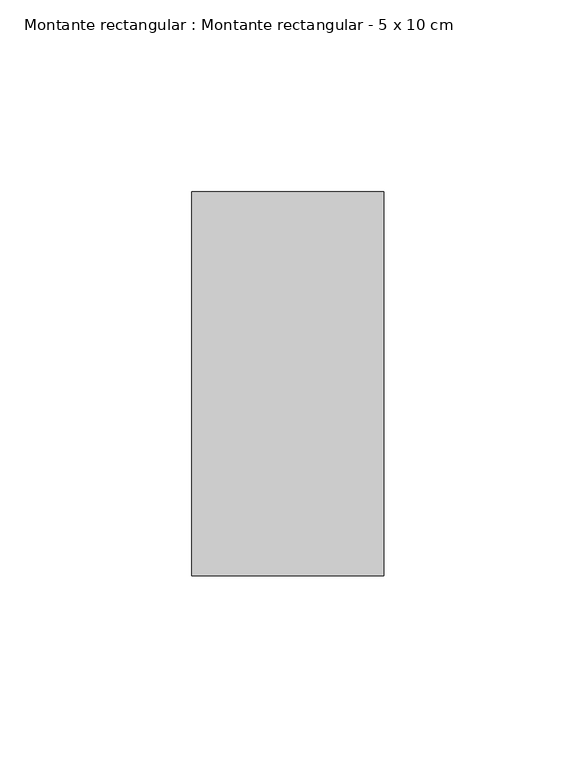
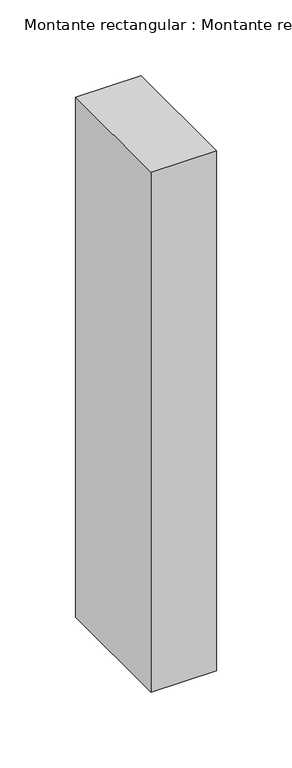
"""IFC4 building model written with IfcOpenShell, lengths in millimetres: member geometry, Montante rectangular : Montante rectangular - 5 x 10 cm."""

from ifc_helpers import new_model, si_unit, frame, origin, place, context, project, spatial, polyline, outline, extrude, source, transform, mapped, element, save


def montante_rectangular_montante_rectangular_5_x_10_cm_d7a5968a(model_context):
    return source(origin(), model_context, "Body", "SweptSolid", [
        extrude(outline(polyline([(0.0, 50.0), (0.0, -50.0), (-50.0, -50.0), (-50.0, 50.0), (0.0, 50.0)])), frame((0.0, 0.0, -420.0), z_axis=(0.0, 0.0, 1.0), x_axis=(1.0, 0.0, 0.0)), (0.0, 0.0, 1.0), 420.0),
    ])


if __name__ == "__main__":
    model = new_model("IFC4")
    model_context = context("Model", 3, world=origin())
    ifc_project = project(units=[si_unit("LENGTHUNIT", "METRE", prefix="MILLI")], contexts=[model_context])
    site = spatial("IfcSite", under=ifc_project)
    building = spatial("IfcBuilding", under=site)
    placement = place(None, origin())
    montante_rectangular_montante_rectangular_5_x_10_cm_shape = montante_rectangular_montante_rectangular_5_x_10_cm_d7a5968a(model_context)
    element("IfcMember", 1, ObjectType="Montante rectangular : Montante rectangular - 5 x 10 cm", at=placement, inside=building, context=model_context, shape_type="MappedRepresentation", body=[
        mapped(montante_rectangular_montante_rectangular_5_x_10_cm_shape, transform((0.0, 0.0, 0.0), x_axis=(1.0, 0.0, 0.0), y_axis=(0.0, 1.0, 0.0), z_axis=(0.0, 0.0, 1.0))),
    ])
    save(model, "model.ifc")
